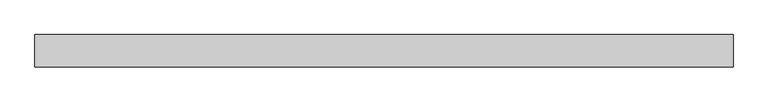
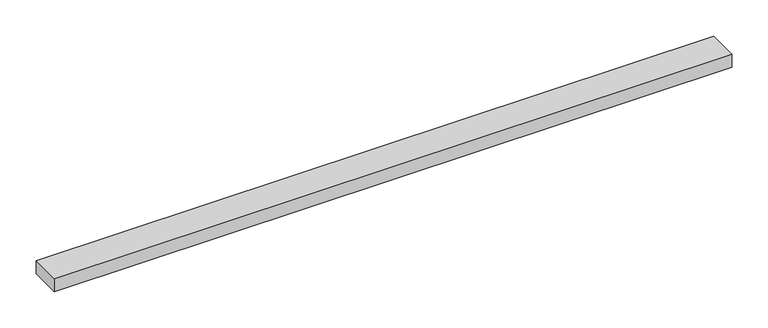
"""IFC4 building model written with IfcOpenShell, lengths in millimetres: beam geometry."""

from ifc_helpers import new_model, si_unit, frame, origin, place, context, project, spatial, polyline, outline, extrude, source, transform, mapped, element, save


def beam_1bcfe16e(model_context):
    return source(origin(), model_context, "Body", "SweptSolid", [
        extrude(outline(polyline([(567.0418739, 25.0), (567.0418739, -25.0), (-512.1843806, -25.0), (-512.1843806, 25.0), (567.0418739, 25.0)])), frame((0.0, 0.0, -11.0), z_axis=(0.0, 0.0, 1.0), x_axis=(1.0, 0.0, 0.0)), (0.0, 0.0, 1.0), 22.0),
    ])


if __name__ == "__main__":
    model = new_model("IFC4")
    model_context = context("Model", 3, world=origin())
    ifc_project = project(units=[si_unit("LENGTHUNIT", "METRE", prefix="MILLI")], contexts=[model_context])
    site = spatial("IfcSite", under=ifc_project)
    building = spatial("IfcBuilding", under=site)
    placement = place(None, origin())
    beam_shape = beam_1bcfe16e(model_context)
    element("IfcBeam", 1, at=placement, inside=building, context=model_context, shape_type="MappedRepresentation", body=[
        mapped(beam_shape, transform((0.0, 0.0, 0.0), x_axis=(1.0, 0.0, 0.0), y_axis=(0.0, 1.0, 0.0), z_axis=(0.0, 0.0, 1.0))),
    ])
    save(model, "model.ifc")
